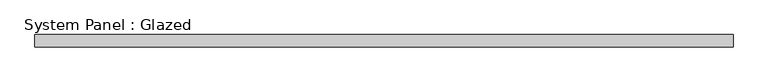
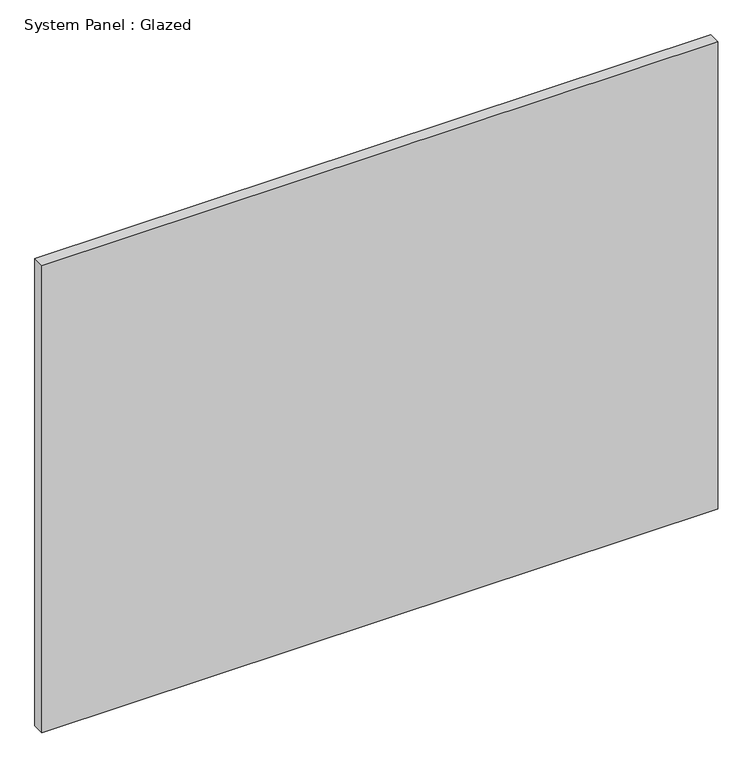
"""IFC4 building model written with IfcOpenShell, lengths in millimetres: plate geometry, System Panel : Glazed."""

from ifc_helpers import new_model, si_unit, origin, origin_with_axes, place, context, project, spatial, polyline, outline, extrude, source, transform, mapped, element, save


def system_panel_glazed_15dedd6f(model_context):
    return source(origin(), model_context, "Body", "SweptSolid", [
        extrude(outline(polyline([(717.8571428, 24.5), (-717.8571428, 24.5), (-717.8571428, 49.5), (717.8571428, 49.5), (717.8571428, 24.5)])), origin_with_axes(), (0.0, 0.0, 1.0), 1050.0),
    ])


if __name__ == "__main__":
    model = new_model("IFC4")
    model_context = context("Model", 3, world=origin())
    ifc_project = project(units=[si_unit("LENGTHUNIT", "METRE", prefix="MILLI")], contexts=[model_context])
    site = spatial("IfcSite", under=ifc_project)
    building = spatial("IfcBuilding", under=site)
    placement = place(None, origin())
    system_panel_glazed_shape = system_panel_glazed_15dedd6f(model_context)
    element("IfcPlate", 1, ObjectType="System Panel : Glazed", at=placement, inside=building, context=model_context, shape_type="MappedRepresentation", body=[
        mapped(system_panel_glazed_shape, transform((0.0, 0.0, 0.0), x_axis=(1.0, 0.0, 0.0), y_axis=(0.0, 1.0, 0.0), z_axis=(0.0, 0.0, 1.0))),
    ])
    save(model, "model.ifc")
